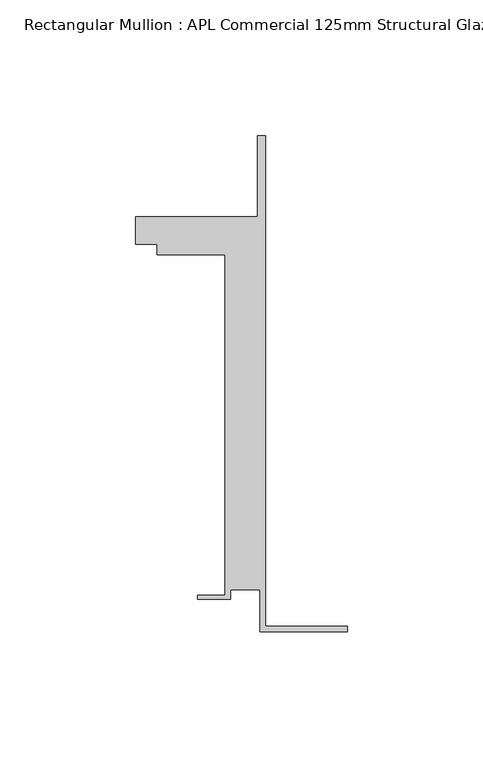
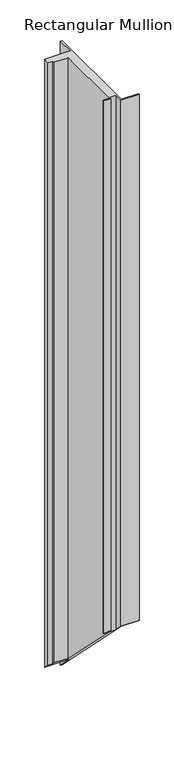
"""IFC4 building model written with IfcOpenShell, lengths in millimetres: member geometry, Rectangular Mullion : APL Commercial 125mm Structural Glaze SubSill."""

import ifcopenshell
import ifcopenshell.guid

model = None  # the IFC model being written
_history = None  # IfcOwnerHistory: only IFC2X3 demands one
_inside = {}  # id of a spatial element -> (the spatial element, [elements in it])
_under = {}  # id of a project, library or spatial element -> (it, [spatial elements below it])
_declared = {}  # id of a project -> (the project, [libraries it declares])
_typed = {}  # id of a type object -> (the type object, [elements of that type])
_made_of = {}  # id of a material, layer set ... -> (it, [elements and type objects made of it])


def new_model(schema):
    """Start an empty IFC model of exactly this schema.

    Asked for "IFC4X3", IfcOpenShell would pick the latest addendum, in which some entities
    have other attributes; the version numbers below select the first issue.
    IFC2X3 requires an IfcOwnerHistory on every rooted entity: one is made here for all.
    """
    global model, _history
    if schema == "IFC4X3":
        model = ifcopenshell.file(schema_version=(4, 3, 0, 0))
    else:
        model = ifcopenshell.file(schema=schema)
    _inside.clear()
    _under.clear()
    _declared.clear()
    _typed.clear()
    _made_of.clear()
    _history = None
    if model.schema == "IFC2X3":
        org = make("IfcOrganization", Name="unknown")
        user = make(
            "IfcPersonAndOrganization",
            ThePerson=make("IfcPerson", FamilyName="unknown"),
            TheOrganization=org,
        )
        app = make(
            "IfcApplication",
            ApplicationDeveloper=org,
            Version="unknown",
            ApplicationFullName="unknown",
            ApplicationIdentifier="unknown",
        )
        _history = make(
            "IfcOwnerHistory",
            OwningUser=user,
            OwningApplication=app,
            ChangeAction="ADDED",
            CreationDate=0,
        )
    return model


def make(cls, **values):
    """One entity of the class cls with the attributes given. An attribute that is None is left unset."""
    return model.create_entity(
        cls, **{name: value for name, value in values.items() if value is not None}
    )


def rooted(cls, **values):
    """An entity with a GlobalId (a new one), such as an element, a storey or a relation."""
    return make(cls, GlobalId=ifcopenshell.guid.new(), OwnerHistory=_history, **values)


def si_unit(unit_type, name, prefix=None):
    """IfcSIUnit, for example si_unit("LENGTHUNIT", "METRE", prefix="MILLI")."""
    return make("IfcSIUnit", UnitType=unit_type, Prefix=prefix, Name=name)


def assignment(units):
    """IfcUnitAssignment: the units of a project."""
    return None if units is None else make("IfcUnitAssignment", Units=units)


def point(xyz):
    """IfcCartesianPoint."""
    return None if xyz is None else make("IfcCartesianPoint", Coordinates=xyz)


def direction(xyz):
    """IfcDirection."""
    return None if xyz is None else make("IfcDirection", DirectionRatios=xyz)


def frame(location, z_axis=None, x_axis=None):
    """IfcAxis2Placement3D, a coordinate frame: its origin and axes. An axis left out is left unset."""
    return make(
        "IfcAxis2Placement3D",
        Location=point(location),
        Axis=direction(z_axis),
        RefDirection=direction(x_axis),
    )


def origin():
    """The frame at (0, 0, 0) with its axes left unset."""
    return frame((0.0, 0.0, 0.0))


def place(relative_to, where):
    """IfcLocalPlacement: puts the frame where relative to a parent placement (None: the world)."""
    return make(
        "IfcLocalPlacement", PlacementRelTo=relative_to, RelativePlacement=where
    )


def context(
    kind, dimensions, precision=None, world=None, true_north=None, identifier=None
):
    """IfcGeometricRepresentationContext, for example the 3D "Model" context."""
    return make(
        "IfcGeometricRepresentationContext",
        ContextIdentifier=identifier,
        ContextType=kind,
        CoordinateSpaceDimension=dimensions,
        Precision=precision,
        WorldCoordinateSystem=world,
        TrueNorth=true_north,
    )


def project(units=None, contexts=None):
    """IfcProject with its units and contexts."""
    return rooted(
        "IfcProject",
        Name="project",
        RepresentationContexts=contexts,
        UnitsInContext=assignment(units),
    )


def spatial(cls, under=None, at=None, **own):
    """A site, building, storey or space (cls), placed at a placement, below another one or the project."""
    s = rooted(cls, ObjectPlacement=at, **own)
    if under is not None:
        _under.setdefault(under.id(), (under, []))[1].append(s)
    return s


def faces_of(points, faces, orient=None, outer=None):
    """IfcFace entities. A face is a list of loops; a loop is a list of indices into points, from 0.

    orient and outer hold one flag for each loop. By default every Orientation is true, the
    first loop of a face is its IfcFaceOuterBound and the others are IfcFaceBound.
    """
    made = []
    for i, loops in enumerate(faces):
        bounds = []
        for j, loop in enumerate(loops):
            is_outer = j == 0 if outer is None else outer[i][j]
            bounds.append(
                make(
                    "IfcFaceOuterBound" if is_outer else "IfcFaceBound",
                    Bound=make("IfcPolyLoop", Polygon=[points[k] for k in loop]),
                    Orientation=True if orient is None else orient[i][j],
                )
            )
        made.append(make("IfcFace", Bounds=bounds))
    return made


def faceted_brep(points, faces, orient=None, outer=None, voids=None):
    """IfcFacetedBrep: a solid bounded by flat faces; with voids (closed shells), ...WithVoids."""
    shared = [point(p) for p in points]
    hull = make("IfcClosedShell", CfsFaces=faces_of(shared, faces, orient, outer))
    if voids is None:
        return make("IfcFacetedBrep", Outer=hull)
    return make(
        "IfcFacetedBrepWithVoids",
        Outer=hull,
        Voids=[
            make(cls, CfsFaces=faces_of(shared, fs, o, b)) for cls, fs, o, b in voids
        ],
    )


def shape(context_of_items, identifier, shape_type, items):
    """IfcShapeRepresentation: the items that make up one representation, for example the "Body"."""
    return make(
        "IfcShapeRepresentation",
        ContextOfItems=context_of_items,
        RepresentationIdentifier=identifier,
        RepresentationType=shape_type,
        Items=items,
    )


def source(mapping_origin, context_of_items, identifier, shape_type, items):
    """IfcRepresentationMap: a shape defined once, which mapped items show again and again."""
    return make(
        "IfcRepresentationMap",
        MappingOrigin=mapping_origin,
        MappedRepresentation=shape(context_of_items, identifier, shape_type, items),
    )


def transform(
    local_origin,
    x_axis=None,
    y_axis=None,
    z_axis=None,
    scale=None,
    scale2=None,
    scale3=None,
    uniform=True,
):
    """IfcCartesianTransformationOperator3D, or its non-uniform kind. x_axis, y_axis, z_axis: its Axis1, 2, 3."""
    if uniform:
        return make(
            "IfcCartesianTransformationOperator3D",
            Axis1=direction(x_axis),
            Axis2=direction(y_axis),
            LocalOrigin=point(local_origin),
            Scale=scale,
            Axis3=direction(z_axis),
        )
    return make(
        "IfcCartesianTransformationOperator3DnonUniform",
        Axis1=direction(x_axis),
        Axis2=direction(y_axis),
        LocalOrigin=point(local_origin),
        Scale=scale,
        Axis3=direction(z_axis),
        Scale2=scale2,
        Scale3=scale3,
    )


def mapped(mapping_source, mapping_target):
    """IfcMappedItem: shows the shape of a source again, moved by a transform."""
    return make(
        "IfcMappedItem", MappingSource=mapping_source, MappingTarget=mapping_target
    )


def made_of(thing, what):
    """Note that an element or type object is made of a material, layer set ...; save() writes the relation."""
    if what is not None:
        _made_of.setdefault(what.id(), (what, []))[1].append(thing)
    return thing


def element(
    cls,
    number,
    at=None,
    inside=None,
    cuts=None,
    type_object=None,
    material=None,
    context=None,
    identifier="Body",
    shape_type=None,
    held_by="IfcProductDefinitionShape",
    body=None,
    shapes=None,
    **own,
):
    """One element of the class cls, such as IfcWall. Its Tag is "e" and its number.

    at: its placement. inside: the storey or other place that contains it. cuts: it is an
    opening in that element (IfcRelVoidsElement). A single representation is given by context,
    identifier, shape_type and body (its items); several are given by shapes. held_by: the class
    of the entity that holds the representations. save() writes the other relations.
    """
    e = rooted(cls, Tag="e%d" % number, ObjectPlacement=at, **own)
    if body is not None:
        shapes = [shape(context, identifier, shape_type, body)]
    if shapes is not None:
        e.Representation = make(held_by, Representations=shapes)
    if inside is not None:
        _inside.setdefault(inside.id(), (inside, []))[1].append(e)
    if cuts is not None:
        rooted(
            "IfcRelVoidsElement", RelatingBuildingElement=cuts, RelatedOpeningElement=e
        )
    if type_object is not None:
        _typed.setdefault(type_object.id(), (type_object, []))[1].append(e)
    return made_of(e, material)


def aggregate(whole, parts):
    """IfcRelAggregates: a whole, such as a stair, and the parts it consists of."""
    return rooted("IfcRelAggregates", RelatingObject=whole, RelatedObjects=parts)


def save(model, path):
    """Write the relations noted so far, then the file.

    IfcRelAggregates (storeys below a building ...), IfcRelContainedInSpatialStructure (elements
    in a storey), IfcRelDefinesByType, IfcRelAssociatesMaterial and IfcRelDeclares: one each for
    every whole, place, type object, material and project.
    """
    for whole, parts in _under.values():
        aggregate(whole, parts)
    for where, things in _inside.values():
        rooted(
            "IfcRelContainedInSpatialStructure",
            RelatedElements=things,
            RelatingStructure=where,
        )
    for kind, things in _typed.values():
        rooted("IfcRelDefinesByType", RelatedObjects=things, RelatingType=kind)
    for what, things in _made_of.values():
        rooted("IfcRelAssociatesMaterial", RelatedObjects=things, RelatingMaterial=what)
    for by, libraries in _declared.values():
        rooted("IfcRelDeclares", RelatingContext=by, RelatedDefinitions=libraries)
    model.write(path)


def rectangular_mullion_apl_commercial_125mm_structural_glaze_55aa0cde(model_context):
    return source(origin(), model_context, "Body", "Brep", [
        faceted_brep([(-32.1465839, -41.25, 0.0), (0.0, -41.25, 0.0), (0.0, -39.25, 0.0), (-30.1465839, -39.25, 0.0), (-30.1465839, 141.75, 0.0), (-33.1466122, 141.75, 0.0), (-33.1466122, 111.75, 0.0), (-78.1466122, 111.75, 0.0), (-78.1466122, 101.75, 0.0), (-70.1466122, 101.75, 0.0), (-70.1466122, 97.75, 0.0), (-45.1465839, 97.75, 0.0), (-45.1465839, -27.75, 0.0), (-55.1465839, -27.75, 0.0), (-55.1465839, -29.25, 0.0), (-43.1465839, -29.25, 0.0), (-43.1465839, -25.75, 0.0), (-32.1465839, -25.75, 0.0), (-32.1465839, -41.25, -981.1341978), (0.0, -41.25, -981.1341978), (0.0, -39.25, -983.1341978), (-30.1465839, -39.25, -983.1341978), (-30.1465839, 141.75, -1164.1341978), (-33.1466122, 141.75, -1164.1341978), (-33.1466122, 111.75, -1134.1341978), (-78.1466122, 111.75, -1134.1341978), (-78.1466122, 101.75, -1124.1341978), (-70.1466122, 101.75, -1124.1341978), (-70.1466122, 97.75, -1120.1341978), (-45.1465839, 97.75, -1120.1341978), (-45.1465839, -27.75, -994.6341978), (-55.1465839, -27.75, -994.6341978), (-55.1465839, -29.25, -993.1341978), (-43.1465839, -29.25, -993.1341978), (-43.1465839, -25.75, -996.6341978), (-32.1465839, -25.75, -996.6341978)], [[[0, 1, 2, 3, 4, 5, 6, 7, 8, 9, 10, 11, 12, 13, 14, 15, 16, 17]], [[1, 0, 18, 19]], [[2, 1, 19, 20]], [[3, 2, 20, 21]], [[4, 3, 21, 22]], [[5, 4, 22, 23]], [[6, 5, 23, 24]], [[7, 6, 24, 25]], [[8, 7, 25, 26]], [[9, 8, 26, 27]], [[10, 9, 27, 28]], [[11, 10, 28, 29]], [[12, 11, 29, 30]], [[13, 12, 30, 31]], [[14, 13, 31, 32]], [[15, 14, 32, 33]], [[16, 15, 33, 34]], [[17, 16, 34, 35]], [[0, 17, 35, 18]], [[18, 35, 34, 33, 32, 31, 30, 29, 28, 27, 26, 25, 24, 23, 22, 21, 20, 19]]]),
    ])


if __name__ == "__main__":
    model = new_model("IFC4")
    model_context = context("Model", 3, world=origin())
    ifc_project = project(units=[si_unit("LENGTHUNIT", "METRE", prefix="MILLI")], contexts=[model_context])
    site = spatial("IfcSite", under=ifc_project)
    building = spatial("IfcBuilding", under=site)
    placement = place(None, origin())
    rectangular_mullion_apl_commercial_125mm_structural_glaze_shape = rectangular_mullion_apl_commercial_125mm_structural_glaze_55aa0cde(model_context)
    element("IfcMember", 1, ObjectType="Rectangular Mullion : APL Commercial 125mm Structural Glaze SubSill", at=placement, inside=building, context=model_context, shape_type="MappedRepresentation", body=[
        mapped(rectangular_mullion_apl_commercial_125mm_structural_glaze_shape, transform((0.0, 0.0, 0.0), x_axis=(1.0, 0.0, 0.0), y_axis=(0.0, 1.0, 0.0), z_axis=(0.0, 0.0, 1.0))),
    ])
    save(model, "model.ifc")
